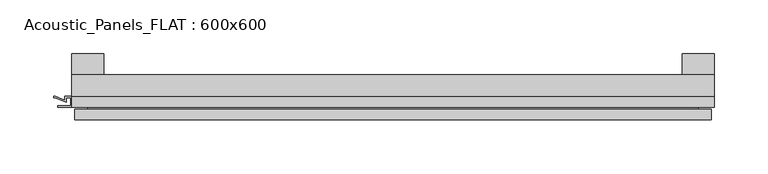
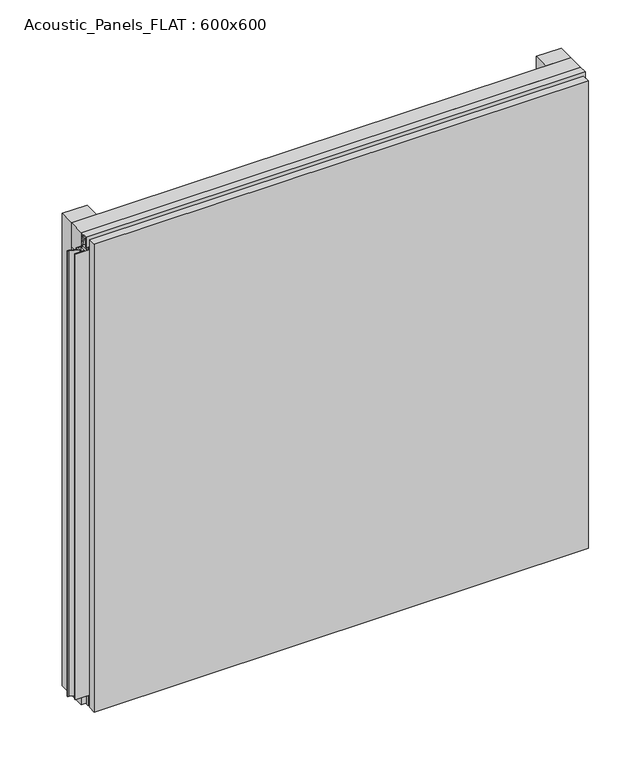
"""IFC4 building model written with IfcOpenShell, lengths in millimetres: plate geometry, Acoustic_Panels_FLAT : 600x600."""

from ifc_helpers import new_model, si_unit, frame, origin, origin_with_axes, place, context, project, spatial, polyline, outline, extrude, faceted_brep, source, transform, mapped, element, save


def acoustic_panels_flat_600x600_d42bd0cd(model_context):
    return source(origin(), model_context, "Body", "SolidModel", [
        extrude(outline(polyline([(-300.0, -40.0), (-300.0, -20.0), (300.0, -20.0), (300.0, -40.0), (-300.0, -40.0)])), frame((0.0, 0.0, 570.0), z_axis=(0.0, 0.0, 1.0), x_axis=(1.0, 0.0, 0.0)), (0.0, 0.0, 1.0), 30.0),
        extrude(outline(polyline([(-300.0, -40.0), (-300.0, -20.0), (300.0, -20.0), (300.0, -40.0), (-300.0, -40.0)])), origin_with_axes(), (0.0, 0.0, 1.0), 30.0),
        extrude(outline(polyline([(270.0, 0.0), (300.0, 0.0), (300.0, -20.0), (270.0, -20.0), (270.0, 0.0)])), origin_with_axes(), (0.0, 0.0, 1.0), 600.0),
        extrude(outline(polyline([(-270.0, 0.0), (-270.0, -20.0), (-300.0, -20.0), (-300.0, 0.0), (-270.0, 0.0)])), origin_with_axes(), (0.0, 0.0, 1.0), 600.0),
        extrude(outline(polyline([(-40.0, 593.700916), (-43.5, 593.700916), (-40.0553267, 584.6441401), (-40.0553267, 577.008452), (-41.4553267, 577.008452), (-41.4553267, 584.4296606), (-45.5140545, 595.100916), (-41.4, 595.100916), (-41.4, 598.5843193), (-48.7, 598.5843193), (-48.7, 586.5843193), (-50.1, 586.5843193), (-50.1, 600.0), (-40.0, 600.0), (-40.0, 593.700916)])), frame((-300.0, 0.0, 0.0), z_axis=(1.0, 0.0, 0.0), x_axis=(0.0, 1.0, 0.0)), (0.0, 0.0, 1.0), 600.0),
        extrude(outline(polyline([(-300.899084, -48.7), (-300.899084, -41.4), (-304.899084, -41.4), (-304.899084, -45.5140545), (-315.5703394, -41.4553267), (-316.9558599, -41.4553267), (-316.9558599, -40.0553267), (-315.3558599, -40.0553267), (-306.299084, -43.5), (-306.299084, -40.0), (-293.700916, -40.0), (-293.700916, -43.5), (-284.6441401, -40.0553267), (-283.0441401, -40.0553267), (-283.0441401, -41.4553267), (-284.4296606, -41.4553267), (-295.100916, -45.5140545), (-295.100916, -41.4), (-299.100916, -41.4), (-299.100916, -48.7), (-287.100916, -48.7), (-287.100916, -50.1), (-312.899084, -50.1), (-312.899084, -48.7), (-300.899084, -48.7)])), frame((0.0, 0.0, 16.9558599), z_axis=(0.0, 0.0, 1.0), x_axis=(1.0, 0.0, 0.0)), (0.0, 0.0, 1.0), 566.0882802),
        faceted_brep([(297.0, -45.9, 597.0), (-297.0, -45.9, 597.0), (-297.0, -48.7, 597.0), (297.0, -48.7, 597.0), (-297.0, -61.9, 597.0), (297.0, -61.9, 597.0), (297.0, -51.9, 597.0), (-297.0, -51.9, 597.0), (-297.0, -45.9, 3.0), (297.0, -45.9, 3.0), (297.0, -48.7, 3.0), (-297.0, -48.7, 3.0), (297.0, -61.9, 3.0), (-297.0, -61.9, 3.0), (-297.0, -51.9, 3.0), (297.0, -51.9, 3.0), (285.0, -51.9, 585.0), (285.0, -51.9, 15.0), (285.0, -48.7, 15.0), (285.0, -48.7, 585.0), (-285.0, -51.9, 15.0), (-285.0, -48.7, 15.0), (-285.0, -51.9, 585.0), (-285.0, -48.7, 585.0)], [[[0, 1, 2, 3]], [[4, 5, 6, 7]], [[8, 9, 10, 11]], [[12, 13, 14, 15]], [[1, 0, 9, 8]], [[1, 8, 11, 2]], [[13, 4, 7, 14]], [[5, 4, 13, 12]], [[9, 0, 3, 10]], [[5, 12, 15, 6]], [[16, 17, 18, 19]], [[18, 17, 20, 21]], [[21, 20, 22, 23]], [[16, 19, 23, 22]], [[7, 6, 15, 14], [17, 16, 22, 20]], [[3, 2, 11, 10], [19, 18, 21, 23]]]),
    ])


if __name__ == "__main__":
    model = new_model("IFC4")
    model_context = context("Model", 3, world=origin())
    ifc_project = project(units=[si_unit("LENGTHUNIT", "METRE", prefix="MILLI")], contexts=[model_context])
    site = spatial("IfcSite", under=ifc_project)
    building = spatial("IfcBuilding", under=site)
    placement = place(None, origin())
    acoustic_panels_flat_600x600_shape = acoustic_panels_flat_600x600_d42bd0cd(model_context)
    element("IfcPlate", 1, ObjectType="Acoustic_Panels_FLAT : 600x600", at=placement, inside=building, context=model_context, shape_type="MappedRepresentation", body=[
        mapped(acoustic_panels_flat_600x600_shape, transform((0.0, 0.0, 0.0), x_axis=(1.0, 0.0, 0.0), y_axis=(0.0, 1.0, 0.0), z_axis=(0.0, 0.0, 1.0))),
    ])
    save(model, "model.ifc")
